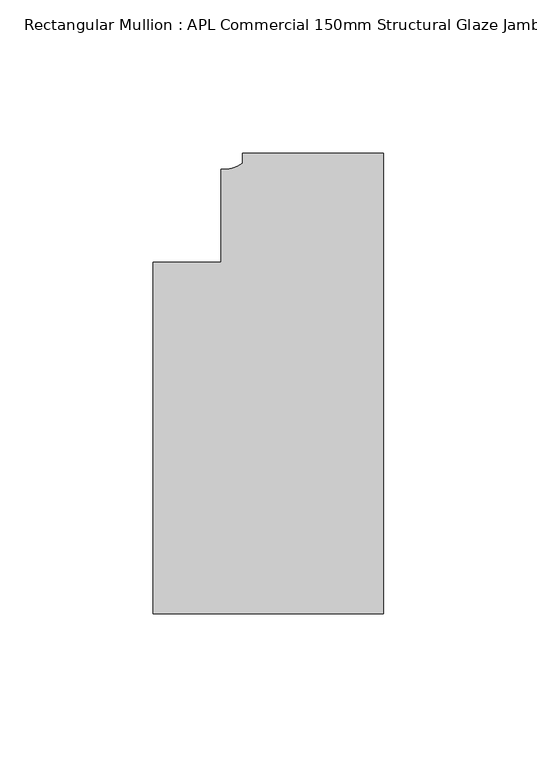
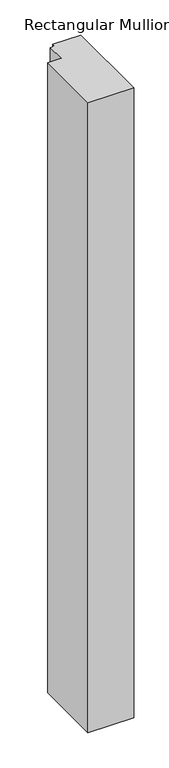
"""IFC4 building model written with IfcOpenShell, lengths in millimetres: member geometry, Rectangular Mullion : APL Commercial 150mm Structural Glaze Jamb Frame (left)."""

from ifc_helpers import new_model, si_unit, point, frame, frame_2d, origin, place, context, project, spatial, polyline, circle_curve, trimmed, segment, composite_curve, outline, extrude, source, transform, mapped, element, save


def rectangular_mullion_apl_commercial_150mm_structural_glaze_b09fbde3(model_context):
    return source(origin(), model_context, "Body", "SweptSolid", [
        extrude(outline(composite_curve([segment(polyline([(0.0, 20.5), (0.0, -129.4999988), (-75.0, -129.4999988), (-75.0, -15.0000829), (-52.9999391, -15.0000829), (-52.9999391, 15.3797475)]), True, "CONTINUOUS"), segment(trimmed(circle_curve(frame_2d((-52.1098019, 25.7981812)), 10.4563907), [point((-52.9999391, 15.3797475))], [point((-45.9999842, 17.3125325))], True, "CARTESIAN"), True, "CONTINUOUS"), segment(polyline([(-45.9999842, 17.3125325), (-45.9999842, 20.5), (0.0, 20.5)]), True, "CONTINUOUS")], self_intersect=False)), frame((0.0, 0.0, -1092.5024995), z_axis=(0.0, 0.0, 1.0), x_axis=(1.0, 0.0, 0.0)), (0.0, 0.0, 1.0), 1092.5024995),
    ])


if __name__ == "__main__":
    model = new_model("IFC4")
    model_context = context("Model", 3, world=origin())
    ifc_project = project(units=[si_unit("LENGTHUNIT", "METRE", prefix="MILLI")], contexts=[model_context])
    site = spatial("IfcSite", under=ifc_project)
    building = spatial("IfcBuilding", under=site)
    placement = place(None, origin())
    rectangular_mullion_apl_commercial_150mm_structural_glaze_shape = rectangular_mullion_apl_commercial_150mm_structural_glaze_b09fbde3(model_context)
    element("IfcMember", 1, ObjectType="Rectangular Mullion : APL Commercial 150mm Structural Glaze Jamb Frame (left)", at=placement, inside=building, context=model_context, shape_type="MappedRepresentation", body=[
        mapped(rectangular_mullion_apl_commercial_150mm_structural_glaze_shape, transform((0.0, 0.0, 0.0), x_axis=(1.0, 0.0, 0.0), y_axis=(0.0, 1.0, 0.0), z_axis=(0.0, 0.0, 1.0))),
    ])
    save(model, "model.ifc")
